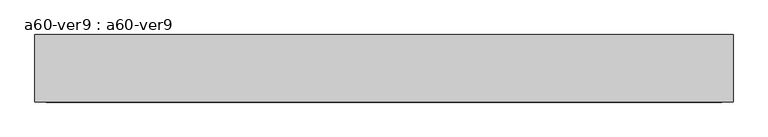
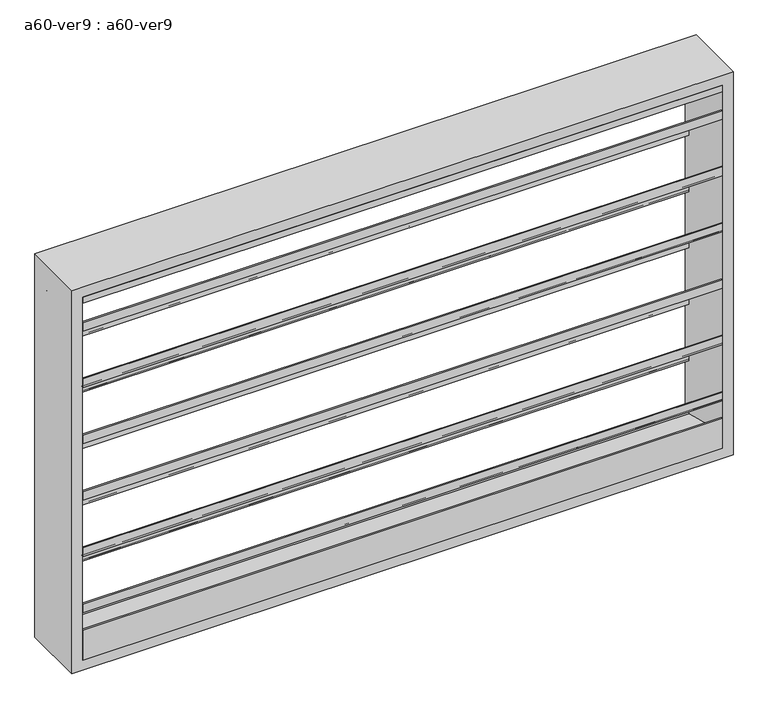
"""IFC4 building model written with IfcOpenShell, lengths in millimetres: proxy geometry, a60-ver9 : a60-ver9."""

from ifc_helpers import new_model, si_unit, frame, origin, place, context, project, spatial, polyline, outline, extrude, source, transform, mapped, element, save


def a60_ver9_a60_ver9_a1883867(model_context):
    return source(origin(), model_context, "Body", "SweptSolid", [
        extrude(outline(polyline([(-73.025, 750.8657367), (-73.025, 730.69979), (65.3071116, 624.5538275), (65.3071116, 606.7154476), (73.025, 600.7933035), (73.025, 625.5079125), (76.2, 625.5079125), (76.2, 596.9), (72.883344, 596.9), (62.1321116, 605.1497108), (62.1321116, 622.9880908), (-76.2, 729.1340533), (-76.2, 750.8657367), (-73.025, 750.8657367)])), frame((-762.0, 0.0, 0.0), z_axis=(1.0, 0.0, 0.0), x_axis=(0.0, 1.0, 0.0)), (0.0, 0.0, 1.0), 1524.0),
        extrude(outline(polyline([(-73.025, 892.6824034), (-73.025, 872.5164567), (65.3071116, 766.3704942), (65.3071116, 748.5321142), (73.025, 742.6099701), (73.025, 767.3245792), (76.2, 767.3245792), (76.2, 738.7166667), (72.883344, 738.7166667), (62.1321116, 746.9663775), (62.1321116, 764.8047575), (-76.2, 870.95072), (-76.2, 892.6824034), (-73.025, 892.6824034)])), frame((-762.0, 0.0, 0.0), z_axis=(1.0, 0.0, 0.0), x_axis=(0.0, 1.0, 0.0)), (0.0, 0.0, 1.0), 1524.0),
        extrude(outline(polyline([(-73.025, 1034.4990701), (-73.025, 1014.3331234), (65.3071116, 908.1871609), (65.3071116, 890.3487809), (73.025, 884.4266368), (73.025, 909.1412458), (76.2, 909.1412458), (76.2, 880.5333333), (72.883344, 880.5333333), (62.1321116, 888.7830442), (62.1321116, 906.6214241), (-76.2, 1012.7673866), (-76.2, 1034.4990701), (-73.025, 1034.4990701)])), frame((-762.0, 0.0, 0.0), z_axis=(1.0, 0.0, 0.0), x_axis=(0.0, 1.0, 0.0)), (0.0, 0.0, 1.0), 1524.0),
        extrude(outline(polyline([(-73.025, 1176.3157367), (-73.025, 1156.14979), (65.3071116, 1050.0038275), (65.3071116, 1032.1654476), (73.025, 1026.2433035), (73.025, 1050.9579125), (76.2, 1050.9579125), (76.2, 1022.35), (72.883344, 1022.35), (62.1321116, 1030.5997108), (62.1321116, 1048.4380908), (-76.2, 1154.5840533), (-76.2, 1176.3157367), (-73.025, 1176.3157367)])), frame((-762.0, 0.0, 0.0), z_axis=(1.0, 0.0, 0.0), x_axis=(0.0, 1.0, 0.0)), (0.0, 0.0, 1.0), 1524.0),
        extrude(outline(polyline([(-73.025, 1318.1324034), (-73.025, 1297.9664567), (65.3071116, 1191.8204942), (65.3071116, 1173.9821142), (73.025, 1168.0599701), (73.025, 1192.7745792), (76.2, 1192.7745792), (76.2, 1164.1666667), (72.883344, 1164.1666667), (62.1321116, 1172.4163775), (62.1321116, 1190.2547575), (-76.2, 1296.40072), (-76.2, 1318.1324034), (-73.025, 1318.1324034)])), frame((-762.0, 0.0, 0.0), z_axis=(1.0, 0.0, 0.0), x_axis=(0.0, 1.0, 0.0)), (0.0, 0.0, 1.0), 1524.0),
        extrude(outline(polyline([(-73.025, 1459.9490701), (-73.025, 1439.7831234), (65.3071116, 1333.6371609), (65.3071116, 1315.7987809), (73.025, 1309.8766368), (73.025, 1334.5912458), (76.2, 1334.5912458), (76.2, 1305.9833333), (72.883344, 1305.9833333), (62.1321116, 1314.2330442), (62.1321116, 1332.0714241), (-76.2, 1438.2173866), (-76.2, 1459.9490701), (-73.025, 1459.9490701)])), frame((-762.0, 0.0, 0.0), z_axis=(1.0, 0.0, 0.0), x_axis=(0.0, 1.0, 0.0)), (0.0, 0.0, 1.0), 1524.0),
        extrude(outline(polyline([(0.0, 1508.125), (76.2, 1447.8), (71.0848317, 1447.8), (-5.1151683, 1508.125), (-76.2, 1508.125), (-76.2, 1524.0), (76.2, 1524.0), (0.0, 1508.125)])), frame((-762.0, 0.0, 0.0), z_axis=(1.0, 0.0, 0.0), x_axis=(0.0, 1.0, 0.0)), (0.0, 0.0, 1.0), 1524.0),
        extrude(outline(polyline([(76.2, 609.6), (-76.2, 609.6), (-76.2, 685.8), (-73.025, 685.8), (-73.025, 647.7), (76.2, 609.6)])), frame((-762.0, 0.0, 0.0), z_axis=(1.0, 0.0, 0.0), x_axis=(0.0, 1.0, 0.0)), (0.0, 0.0, 1.0), 1524.0),
        extrude(outline(polyline([(584.2, -787.4), (584.2, 787.4), (1549.4, 787.4), (1549.4, -787.4), (584.2, -787.4)]), holes=[polyline([(609.6, -762.0), (1524.0, -762.0), (1524.0, 762.0), (609.6, 762.0), (609.6, -762.0)])]), frame((0.0, -76.2, 0.0), z_axis=(0.0, 1.0, 0.0), x_axis=(0.0, 0.0, 1.0)), (0.0, 0.0, 1.0), 152.4),
    ])


if __name__ == "__main__":
    model = new_model("IFC4")
    model_context = context("Model", 3, world=origin())
    ifc_project = project(units=[si_unit("LENGTHUNIT", "METRE", prefix="MILLI")], contexts=[model_context])
    site = spatial("IfcSite", under=ifc_project)
    building = spatial("IfcBuilding", under=site)
    placement = place(None, origin())
    a60_ver9_a60_ver9_shape = a60_ver9_a60_ver9_a1883867(model_context)
    element("IfcBuildingElementProxy", 1, Name="a60-ver9 : a60-ver9", ObjectType="a60-ver9 : a60-ver9", at=placement, inside=building, context=model_context, shape_type="MappedRepresentation", body=[
        mapped(a60_ver9_a60_ver9_shape, transform((0.0, 0.0, 0.0), x_axis=(1.0, 0.0, 0.0), y_axis=(0.0, 1.0, 0.0), z_axis=(0.0, 0.0, 1.0))),
    ])
    save(model, "model.ifc")
